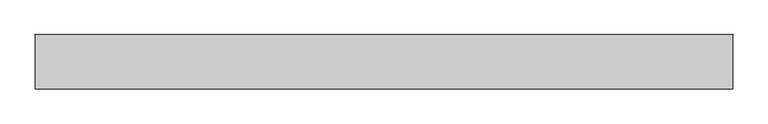
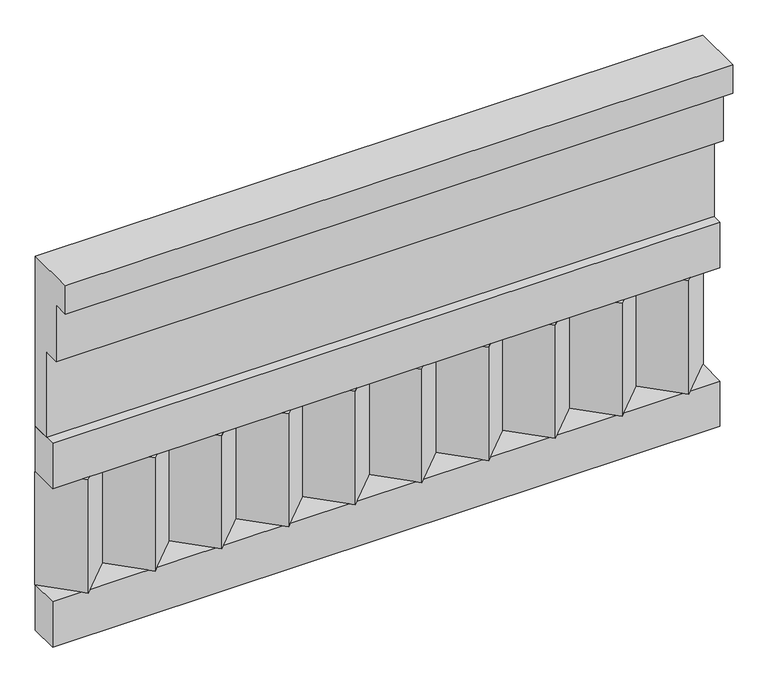
"""IFC4 building model written with IfcOpenShell, lengths in millimetres: railing geometry."""

import ifcopenshell
import ifcopenshell.guid

model = None  # the IFC model being written
_history = None  # IfcOwnerHistory: only IFC2X3 demands one
_inside = {}  # id of a spatial element -> (the spatial element, [elements in it])
_under = {}  # id of a project, library or spatial element -> (it, [spatial elements below it])
_declared = {}  # id of a project -> (the project, [libraries it declares])
_typed = {}  # id of a type object -> (the type object, [elements of that type])
_made_of = {}  # id of a material, layer set ... -> (it, [elements and type objects made of it])


def new_model(schema):
    """Start an empty IFC model of exactly this schema.

    Asked for "IFC4X3", IfcOpenShell would pick the latest addendum, in which some entities
    have other attributes; the version numbers below select the first issue.
    IFC2X3 requires an IfcOwnerHistory on every rooted entity: one is made here for all.
    """
    global model, _history
    if schema == "IFC4X3":
        model = ifcopenshell.file(schema_version=(4, 3, 0, 0))
    else:
        model = ifcopenshell.file(schema=schema)
    _inside.clear()
    _under.clear()
    _declared.clear()
    _typed.clear()
    _made_of.clear()
    _history = None
    if model.schema == "IFC2X3":
        org = make("IfcOrganization", Name="unknown")
        user = make(
            "IfcPersonAndOrganization",
            ThePerson=make("IfcPerson", FamilyName="unknown"),
            TheOrganization=org,
        )
        app = make(
            "IfcApplication",
            ApplicationDeveloper=org,
            Version="unknown",
            ApplicationFullName="unknown",
            ApplicationIdentifier="unknown",
        )
        _history = make(
            "IfcOwnerHistory",
            OwningUser=user,
            OwningApplication=app,
            ChangeAction="ADDED",
            CreationDate=0,
        )
    return model


def make(cls, **values):
    """One entity of the class cls with the attributes given. An attribute that is None is left unset."""
    return model.create_entity(
        cls, **{name: value for name, value in values.items() if value is not None}
    )


def rooted(cls, **values):
    """An entity with a GlobalId (a new one), such as an element, a storey or a relation."""
    return make(cls, GlobalId=ifcopenshell.guid.new(), OwnerHistory=_history, **values)


def si_unit(unit_type, name, prefix=None):
    """IfcSIUnit, for example si_unit("LENGTHUNIT", "METRE", prefix="MILLI")."""
    return make("IfcSIUnit", UnitType=unit_type, Prefix=prefix, Name=name)


def assignment(units):
    """IfcUnitAssignment: the units of a project."""
    return None if units is None else make("IfcUnitAssignment", Units=units)


def point(xyz):
    """IfcCartesianPoint."""
    return None if xyz is None else make("IfcCartesianPoint", Coordinates=xyz)


def direction(xyz):
    """IfcDirection."""
    return None if xyz is None else make("IfcDirection", DirectionRatios=xyz)


def frame(location, z_axis=None, x_axis=None):
    """IfcAxis2Placement3D, a coordinate frame: its origin and axes. An axis left out is left unset."""
    return make(
        "IfcAxis2Placement3D",
        Location=point(location),
        Axis=direction(z_axis),
        RefDirection=direction(x_axis),
    )


def origin():
    """The frame at (0, 0, 0) with its axes left unset."""
    return frame((0.0, 0.0, 0.0))


def place(relative_to, where):
    """IfcLocalPlacement: puts the frame where relative to a parent placement (None: the world)."""
    return make(
        "IfcLocalPlacement", PlacementRelTo=relative_to, RelativePlacement=where
    )


def context(
    kind, dimensions, precision=None, world=None, true_north=None, identifier=None
):
    """IfcGeometricRepresentationContext, for example the 3D "Model" context."""
    return make(
        "IfcGeometricRepresentationContext",
        ContextIdentifier=identifier,
        ContextType=kind,
        CoordinateSpaceDimension=dimensions,
        Precision=precision,
        WorldCoordinateSystem=world,
        TrueNorth=true_north,
    )


def project(units=None, contexts=None):
    """IfcProject with its units and contexts."""
    return rooted(
        "IfcProject",
        Name="project",
        RepresentationContexts=contexts,
        UnitsInContext=assignment(units),
    )


def spatial(cls, under=None, at=None, **own):
    """A site, building, storey or space (cls), placed at a placement, below another one or the project."""
    s = rooted(cls, ObjectPlacement=at, **own)
    if under is not None:
        _under.setdefault(under.id(), (under, []))[1].append(s)
    return s


def polyline(points):
    """IfcPolyline through the points."""
    return make("IfcPolyline", Points=[point(p) for p in points])


def outline(outer, holes=None, kind="AREA"):
    """IfcArbitraryClosedProfileDef: a profile drawn as a closed curve; with holes, ...WithVoids."""
    if holes is None:
        return make("IfcArbitraryClosedProfileDef", ProfileType=kind, OuterCurve=outer)
    return make(
        "IfcArbitraryProfileDefWithVoids",
        ProfileType=kind,
        OuterCurve=outer,
        InnerCurves=holes,
    )


def extrude(swept, where, along, depth):
    """IfcExtrudedAreaSolid: the profile swept, set in the frame where, extruded along a direction by depth."""
    return make(
        "IfcExtrudedAreaSolid",
        SweptArea=swept,
        Position=where,
        ExtrudedDirection=direction(along),
        Depth=depth,
    )


def shape(context_of_items, identifier, shape_type, items):
    """IfcShapeRepresentation: the items that make up one representation, for example the "Body"."""
    return make(
        "IfcShapeRepresentation",
        ContextOfItems=context_of_items,
        RepresentationIdentifier=identifier,
        RepresentationType=shape_type,
        Items=items,
    )


def source(mapping_origin, context_of_items, identifier, shape_type, items):
    """IfcRepresentationMap: a shape defined once, which mapped items show again and again."""
    return make(
        "IfcRepresentationMap",
        MappingOrigin=mapping_origin,
        MappedRepresentation=shape(context_of_items, identifier, shape_type, items),
    )


def transform(
    local_origin,
    x_axis=None,
    y_axis=None,
    z_axis=None,
    scale=None,
    scale2=None,
    scale3=None,
    uniform=True,
):
    """IfcCartesianTransformationOperator3D, or its non-uniform kind. x_axis, y_axis, z_axis: its Axis1, 2, 3."""
    if uniform:
        return make(
            "IfcCartesianTransformationOperator3D",
            Axis1=direction(x_axis),
            Axis2=direction(y_axis),
            LocalOrigin=point(local_origin),
            Scale=scale,
            Axis3=direction(z_axis),
        )
    return make(
        "IfcCartesianTransformationOperator3DnonUniform",
        Axis1=direction(x_axis),
        Axis2=direction(y_axis),
        LocalOrigin=point(local_origin),
        Scale=scale,
        Axis3=direction(z_axis),
        Scale2=scale2,
        Scale3=scale3,
    )


def mapped(mapping_source, mapping_target):
    """IfcMappedItem: shows the shape of a source again, moved by a transform."""
    return make(
        "IfcMappedItem", MappingSource=mapping_source, MappingTarget=mapping_target
    )


def made_of(thing, what):
    """Note that an element or type object is made of a material, layer set ...; save() writes the relation."""
    if what is not None:
        _made_of.setdefault(what.id(), (what, []))[1].append(thing)
    return thing


def element(
    cls,
    number,
    at=None,
    inside=None,
    cuts=None,
    type_object=None,
    material=None,
    context=None,
    identifier="Body",
    shape_type=None,
    held_by="IfcProductDefinitionShape",
    body=None,
    shapes=None,
    **own,
):
    """One element of the class cls, such as IfcWall. Its Tag is "e" and its number.

    at: its placement. inside: the storey or other place that contains it. cuts: it is an
    opening in that element (IfcRelVoidsElement). A single representation is given by context,
    identifier, shape_type and body (its items); several are given by shapes. held_by: the class
    of the entity that holds the representations. save() writes the other relations.
    """
    e = rooted(cls, Tag="e%d" % number, ObjectPlacement=at, **own)
    if body is not None:
        shapes = [shape(context, identifier, shape_type, body)]
    if shapes is not None:
        e.Representation = make(held_by, Representations=shapes)
    if inside is not None:
        _inside.setdefault(inside.id(), (inside, []))[1].append(e)
    if cuts is not None:
        rooted(
            "IfcRelVoidsElement", RelatingBuildingElement=cuts, RelatedOpeningElement=e
        )
    if type_object is not None:
        _typed.setdefault(type_object.id(), (type_object, []))[1].append(e)
    return made_of(e, material)


def aggregate(whole, parts):
    """IfcRelAggregates: a whole, such as a stair, and the parts it consists of."""
    return rooted("IfcRelAggregates", RelatingObject=whole, RelatedObjects=parts)


def save(model, path):
    """Write the relations noted so far, then the file.

    IfcRelAggregates (storeys below a building ...), IfcRelContainedInSpatialStructure (elements
    in a storey), IfcRelDefinesByType, IfcRelAssociatesMaterial and IfcRelDeclares: one each for
    every whole, place, type object, material and project.
    """
    for whole, parts in _under.values():
        aggregate(whole, parts)
    for where, things in _inside.values():
        rooted(
            "IfcRelContainedInSpatialStructure",
            RelatedElements=things,
            RelatingStructure=where,
        )
    for kind, things in _typed.values():
        rooted("IfcRelDefinesByType", RelatedObjects=things, RelatingType=kind)
    for what, things in _made_of.values():
        rooted("IfcRelAssociatesMaterial", RelatedObjects=things, RelatingMaterial=what)
    for by, libraries in _declared.values():
        rooted("IfcRelDeclares", RelatingContext=by, RelatedDefinitions=libraries)
    model.write(path)


def railing_ca120dc4(model_context):
    return source(origin(), model_context, "Body", "SweptSolid", [
        extrude(outline(polyline([(-16816.8920513, 18500.0), (-16816.8920513, 18050.0), (-16866.8920513, 18050.0), (-16866.8920513, 18275.0), (-16906.8920513, 18275.0), (-16906.8920513, 18425.0), (-16946.8920513, 18425.0), (-16946.8920513, 18500.0), (-16816.8920513, 18500.0)])), frame((-22709.9887159, 0.0, 0.0), z_axis=(1.0, 0.0, 0.0), x_axis=(0.0, 1.0, 0.0)), (0.0, 0.0, 1.0), 1670.0),
        extrude(outline(polyline([(-22709.9887159, -16891.8920513), (-22709.9887159, -16816.8920513), (-21039.9887159, -16816.8920513), (-21039.9887159, -16891.8920513), (-22709.9887159, -16891.8920513)])), frame((0.0, 0.0, 17930.0), z_axis=(0.0, 0.0, 1.0), x_axis=(1.0, 0.0, 0.0)), (0.0, 0.0, 1.0), 120.0),
        extrude(outline(polyline([(-22709.9887159, -16891.8920513), (-22709.9887159, -16816.8920513), (-21039.9887159, -16816.8920513), (-21039.9887159, -16891.8920513), (-22709.9887159, -16891.8920513)])), frame((0.0, 0.0, 17510.0), z_axis=(0.0, 0.0, 1.0), x_axis=(1.0, 0.0, 0.0)), (0.0, 0.0, 1.0), 120.0),
        extrude(outline(polyline([(-21123.4887159, -16901.7448651), (-21208.3415296, -16816.8920513), (-21038.6359022, -16816.8920513), (-21123.4887159, -16901.7448651)])), frame((0.0, 0.0, 17630.0), z_axis=(0.0, 0.0, 1.0), x_axis=(1.0, 0.0, 0.0)), (0.0, 0.0, 1.0), 300.0),
        extrude(outline(polyline([(-21290.4887159, -16901.7448651), (-21375.3415296, -16816.8920513), (-21205.6359022, -16816.8920513), (-21290.4887159, -16901.7448651)])), frame((0.0, 0.0, 17630.0), z_axis=(0.0, 0.0, 1.0), x_axis=(1.0, 0.0, 0.0)), (0.0, 0.0, 1.0), 300.0),
        extrude(outline(polyline([(-21457.4887159, -16901.7448651), (-21542.3415296, -16816.8920513), (-21372.6359022, -16816.8920513), (-21457.4887159, -16901.7448651)])), frame((0.0, 0.0, 17630.0), z_axis=(0.0, 0.0, 1.0), x_axis=(1.0, 0.0, 0.0)), (0.0, 0.0, 1.0), 300.0),
        extrude(outline(polyline([(-21624.4887159, -16901.7448651), (-21709.3415296, -16816.8920513), (-21539.6359022, -16816.8920513), (-21624.4887159, -16901.7448651)])), frame((0.0, 0.0, 17630.0), z_axis=(0.0, 0.0, 1.0), x_axis=(1.0, 0.0, 0.0)), (0.0, 0.0, 1.0), 300.0),
        extrude(outline(polyline([(-21791.4887159, -16901.7448651), (-21876.3415296, -16816.8920513), (-21706.6359022, -16816.8920513), (-21791.4887159, -16901.7448651)])), frame((0.0, 0.0, 17630.0), z_axis=(0.0, 0.0, 1.0), x_axis=(1.0, 0.0, 0.0)), (0.0, 0.0, 1.0), 300.0),
        extrude(outline(polyline([(-21958.4887159, -16901.7448651), (-22043.3415296, -16816.8920513), (-21873.6359022, -16816.8920513), (-21958.4887159, -16901.7448651)])), frame((0.0, 0.0, 17630.0), z_axis=(0.0, 0.0, 1.0), x_axis=(1.0, 0.0, 0.0)), (0.0, 0.0, 1.0), 300.0),
        extrude(outline(polyline([(-22125.4887159, -16901.7448651), (-22210.3415296, -16816.8920513), (-22040.6359022, -16816.8920513), (-22125.4887159, -16901.7448651)])), frame((0.0, 0.0, 17630.0), z_axis=(0.0, 0.0, 1.0), x_axis=(1.0, 0.0, 0.0)), (0.0, 0.0, 1.0), 300.0),
        extrude(outline(polyline([(-22292.4887159, -16901.7448651), (-22377.3415296, -16816.8920513), (-22207.6359022, -16816.8920513), (-22292.4887159, -16901.7448651)])), frame((0.0, 0.0, 17630.0), z_axis=(0.0, 0.0, 1.0), x_axis=(1.0, 0.0, 0.0)), (0.0, 0.0, 1.0), 300.0),
        extrude(outline(polyline([(-22459.4887159, -16901.7448651), (-22544.3415296, -16816.8920513), (-22374.6359022, -16816.8920513), (-22459.4887159, -16901.7448651)])), frame((0.0, 0.0, 17630.0), z_axis=(0.0, 0.0, 1.0), x_axis=(1.0, 0.0, 0.0)), (0.0, 0.0, 1.0), 300.0),
        extrude(outline(polyline([(-22626.4887159, -16901.7448651), (-22711.3415296, -16816.8920513), (-22541.6359022, -16816.8920513), (-22626.4887159, -16901.7448651)])), frame((0.0, 0.0, 17630.0), z_axis=(0.0, 0.0, 1.0), x_axis=(1.0, 0.0, 0.0)), (0.0, 0.0, 1.0), 300.0),
    ])


if __name__ == "__main__":
    model = new_model("IFC4")
    model_context = context("Model", 3, world=origin())
    ifc_project = project(units=[si_unit("LENGTHUNIT", "METRE", prefix="MILLI")], contexts=[model_context])
    site = spatial("IfcSite", under=ifc_project)
    building = spatial("IfcBuilding", under=site)
    placement = place(None, origin())
    railing_shape = railing_ca120dc4(model_context)
    element("IfcRailing", 1, at=placement, inside=building, context=model_context, shape_type="MappedRepresentation", body=[
        mapped(railing_shape, transform((0.0, 0.0, 0.0), x_axis=(1.0, 0.0, 0.0), y_axis=(0.0, 1.0, 0.0), z_axis=(0.0, 0.0, 1.0))),
    ])
    save(model, "model.ifc")
